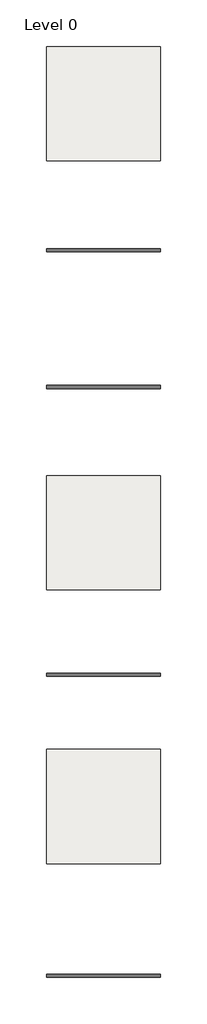
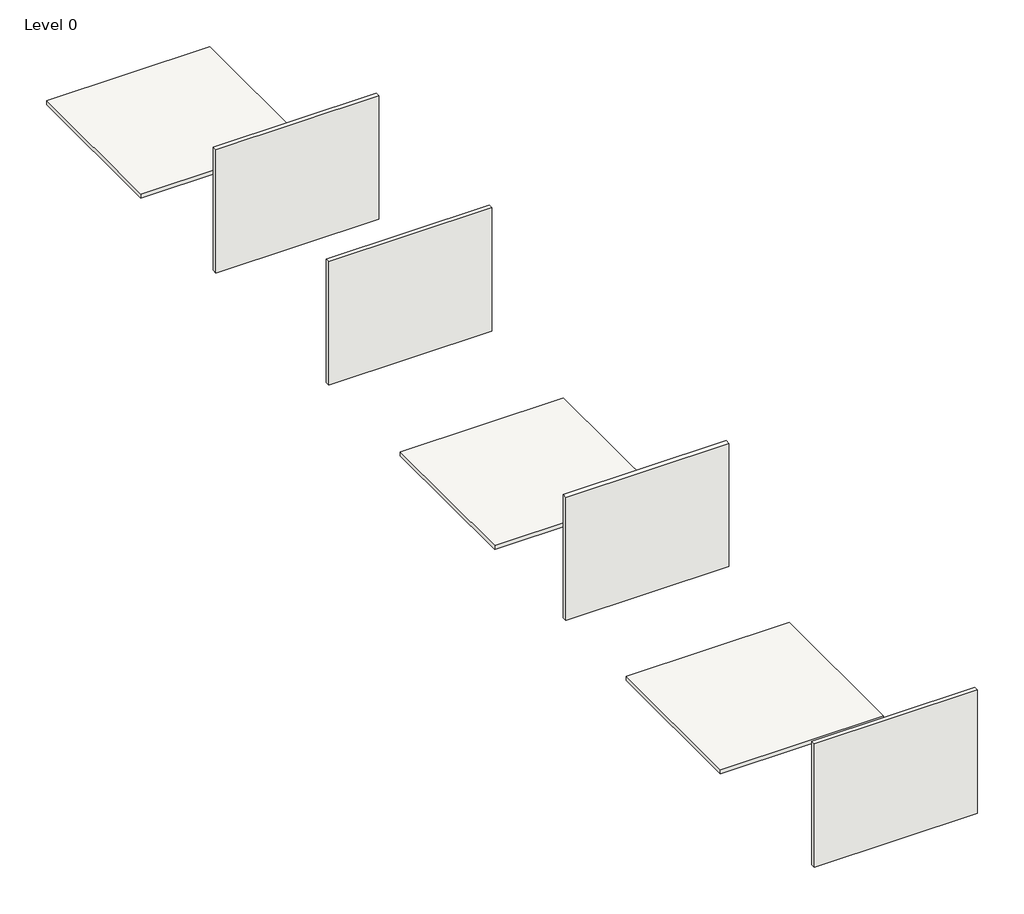
# One storey: 7 coverings.
"""IFC4 building model written with IfcOpenShell, lengths in millimetres."""

from ifc_helpers import new_model, si_unit, origin, origin_with_axes, place, context, project, spatial, polyline, outline, extrude, element, save

model = new_model("IFC4")

# Units and contexts
model_context = context("Model", 3, world=origin())
ifc_project = project(units=[si_unit("LENGTHUNIT", "METRE", prefix="MILLI")], contexts=[model_context])

# Site, building, storey
site = spatial("IfcSite", under=ifc_project)
building = spatial("IfcBuilding", under=site)
storey = spatial("IfcBuildingStorey", under=building, Name="Level 0", Elevation=0.0)

# Coverings
placement = place(None, origin())
element("IfcCovering", 1, at=placement, inside=storey, context=model_context, shape_type="SweptSolid", body=[
    extrude(outline(polyline([(0.0, -2500.0), (0.0, 0.0), (2500.0, 0.0), (2500.0, -2500.0), (0.0, -2500.0)])), origin_with_axes(), (0.0, 0.0, 1.0), 70.0),
])
element("IfcCovering", 2, at=placement, inside=storey, context=model_context, shape_type="SweptSolid", body=[
    extrude(outline(polyline([(0.0, -11900.0), (0.0, -9400.0), (2500.0, -9400.0), (2500.0, -11900.0), (0.0, -11900.0)])), origin_with_axes(), (0.0, 0.0, 1.0), 70.0),
])
element("IfcCovering", 3, at=placement, inside=storey, context=model_context, shape_type="SweptSolid", body=[
    extrude(outline(polyline([(0.0, -17900.0), (0.0, -15400.0), (2500.0, -15400.0), (2500.0, -17900.0), (0.0, -17900.0)])), origin_with_axes(), (0.0, 0.0, 1.0), 70.0),
])
element("IfcCovering", 4, at=placement, inside=storey, context=model_context, shape_type="SweptSolid", body=[
    extrude(outline(polyline([(0.0, -4426.2673013), (2500.0, -4426.2673013), (2500.0, -4496.2673013), (0.0, -4496.2673013), (0.0, -4426.2673013)])), origin_with_axes(), (0.0, 0.0, 1.0), 2000.0),
])
element("IfcCovering", 5, at=placement, inside=storey, context=model_context, shape_type="SweptSolid", body=[
    extrude(outline(polyline([(0.0, -7426.2673013), (2500.0, -7426.2673013), (2500.0, -7496.2673013), (0.0, -7496.2673013), (0.0, -7426.2673013)])), origin_with_axes(), (0.0, 0.0, 1.0), 2000.0),
])
element("IfcCovering", 6, at=placement, inside=storey, context=model_context, shape_type="SweptSolid", body=[
    extrude(outline(polyline([(0.0, -13726.2673013), (2500.0, -13726.2673013), (2500.0, -13796.2673013), (0.0, -13796.2673013), (0.0, -13726.2673013)])), origin_with_axes(), (0.0, 0.0, 1.0), 2000.0),
])
element("IfcCovering", 7, at=placement, inside=storey, context=model_context, shape_type="SweptSolid", body=[
    extrude(outline(polyline([(0.0, -20326.2673013), (2500.0, -20326.2673013), (2500.0, -20396.2673013), (0.0, -20396.2673013), (0.0, -20326.2673013)])), origin_with_axes(), (0.0, 0.0, 1.0), 2000.0),
])

save(model, "model.ifc")
